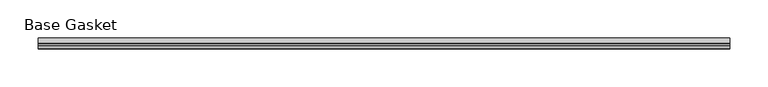
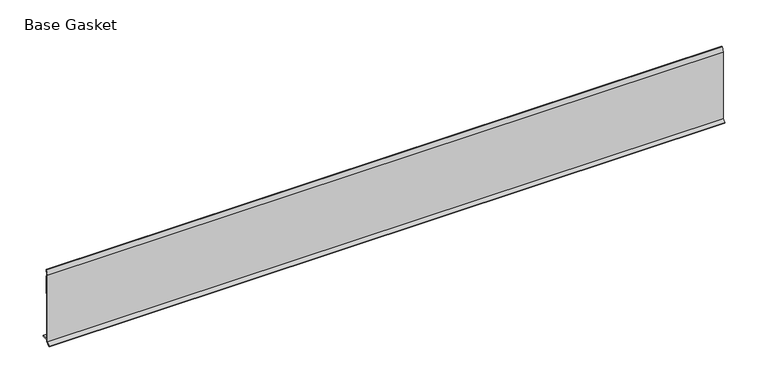
"""IFC4 building model written with IfcOpenShell, lengths in millimetres: furniture geometry, Base Gasket."""

from ifc_helpers import new_model, si_unit, frame, origin, place, context, project, spatial, polyline, outline, extrude, source, transform, mapped, element, save


def base_gasket_026fa30e(model_context):
    return source(origin(), model_context, "Body", "SweptSolid", [
        extrude(outline(polyline([(-3.7283812, 98.4568417), (-1.1891543, 104.587663), (-0.6755308, 105.2002997), (-0.6755308, 104.4162708), (-2.2043812, 98.4568417), (-2.2043812, 96.8693477), (-1.4106313, 96.8693477), (-1.4106313, 71.4693447), (-2.2043812, 71.4693447), (-2.2043812, 7.9398773), (6.2405171, 7.9398773), (6.2405171, 6.3818476), (-2.1334222, 6.3818476), (-2.2043812, 4.3498477), (-6.8281054, 0.3520979), (-7.8482342, 0.0), (-7.4222115, 0.6560174), (-3.7283812, 4.3498477), (-3.7283812, 98.4568417)])), frame((-1527.8982117, 0.0, 0.0), z_axis=(1.0, 0.0, 0.0), x_axis=(0.0, 1.0, 0.0)), (0.0, 0.0, 1.0), 904.7750229),
    ])


if __name__ == "__main__":
    model = new_model("IFC4")
    model_context = context("Model", 3, world=origin())
    ifc_project = project(units=[si_unit("LENGTHUNIT", "METRE", prefix="MILLI")], contexts=[model_context])
    site = spatial("IfcSite", under=ifc_project)
    building = spatial("IfcBuilding", under=site)
    placement = place(None, origin())
    base_gasket_shape = base_gasket_026fa30e(model_context)
    element("IfcFurniture", 1, ObjectType="Base Gasket", at=placement, inside=building, context=model_context, shape_type="MappedRepresentation", body=[
        mapped(base_gasket_shape, transform((0.0, 0.0, 0.0), x_axis=(1.0, 0.0, 0.0), y_axis=(0.0, 1.0, 0.0), z_axis=(0.0, 0.0, 1.0))),
    ])
    save(model, "model.ifc")
